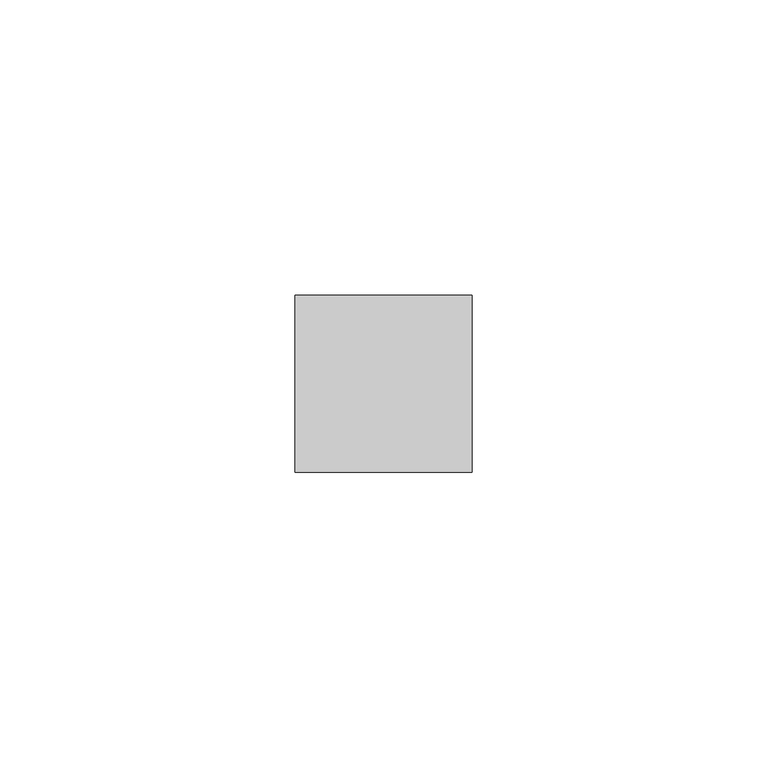
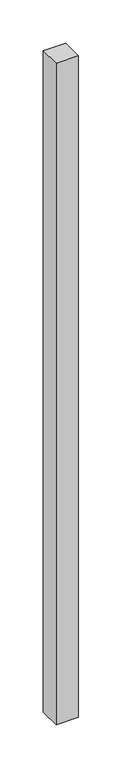
"""IFC4 building model written with IfcOpenShell, lengths in millimetres: member geometry."""

from ifc_helpers import new_model, si_unit, frame, origin, place, context, project, spatial, polyline, outline, extrude, source, transform, mapped, element, save


def member_9c9131ce(model_context):
    return source(origin(), model_context, "Body", "SweptSolid", [
        extrude(outline(polyline([(15.0, 15.0), (15.0, -15.0), (-15.0, -15.0), (-15.0, 15.0), (15.0, 15.0)])), frame((0.0, 0.0, -935.8839286), z_axis=(0.0, 0.0, 1.0), x_axis=(1.0, 0.0, 0.0)), (0.0, 0.0, 1.0), 935.8839286),
    ])


if __name__ == "__main__":
    model = new_model("IFC4")
    model_context = context("Model", 3, world=origin())
    ifc_project = project(units=[si_unit("LENGTHUNIT", "METRE", prefix="MILLI")], contexts=[model_context])
    site = spatial("IfcSite", under=ifc_project)
    building = spatial("IfcBuilding", under=site)
    placement = place(None, origin())
    member_shape = member_9c9131ce(model_context)
    element("IfcMember", 1, at=placement, inside=building, context=model_context, shape_type="MappedRepresentation", body=[
        mapped(member_shape, transform((0.0, 0.0, 0.0), x_axis=(1.0, 0.0, 0.0), y_axis=(0.0, 1.0, 0.0), z_axis=(0.0, 0.0, 1.0))),
    ])
    save(model, "model.ifc")
